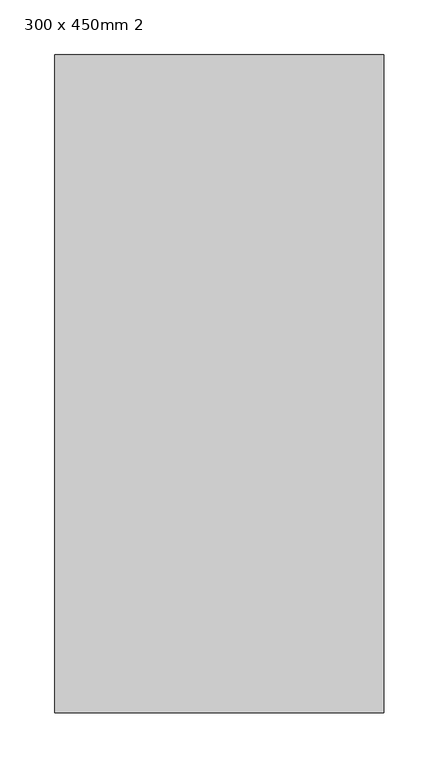
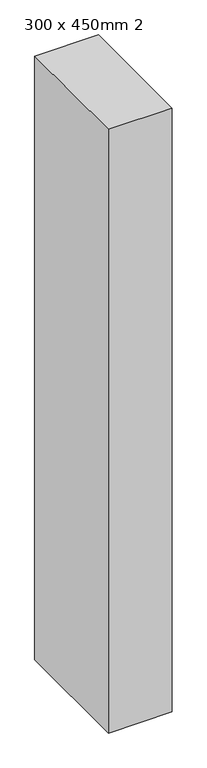
"""IFC4 building model written with IfcOpenShell, lengths in millimetres: column geometry, 300 x 450mm 2."""

from ifc_helpers import new_model, si_unit, origin, origin_with_axes, place, context, project, spatial, polyline, outline, extrude, source, transform, mapped, element, save


def column_300_x_450mm_2_c32dac4c(model_context):
    return source(origin(), model_context, "Body", "SweptSolid", [
        extrude(outline(polyline([(150.0, 300.0), (150.0, -300.0), (-150.0, -300.0), (-150.0, 300.0), (150.0, 300.0)])), origin_with_axes(), (0.0, 0.0, 1.0), 3000.0),
    ])


if __name__ == "__main__":
    model = new_model("IFC4")
    model_context = context("Model", 3, world=origin())
    ifc_project = project(units=[si_unit("LENGTHUNIT", "METRE", prefix="MILLI")], contexts=[model_context])
    site = spatial("IfcSite", under=ifc_project)
    building = spatial("IfcBuilding", under=site)
    placement = place(None, origin())
    column_300_x_450mm_2_shape = column_300_x_450mm_2_c32dac4c(model_context)
    element("IfcColumn", 1, ObjectType="300 x 450mm 2", at=placement, inside=building, context=model_context, shape_type="MappedRepresentation", body=[
        mapped(column_300_x_450mm_2_shape, transform((0.0, 0.0, 0.0), x_axis=(1.0, 0.0, 0.0), y_axis=(0.0, 1.0, 0.0), z_axis=(0.0, 0.0, 1.0))),
    ])
    save(model, "model.ifc")
